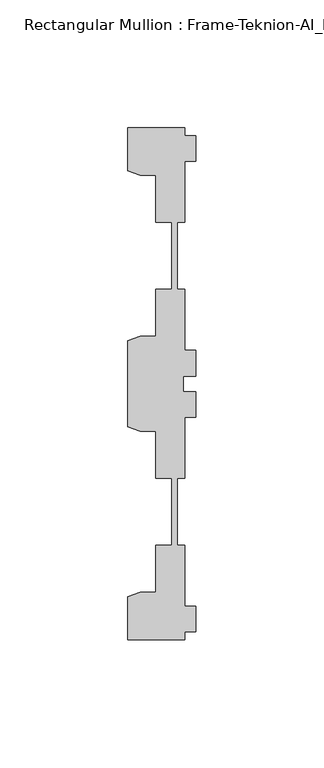
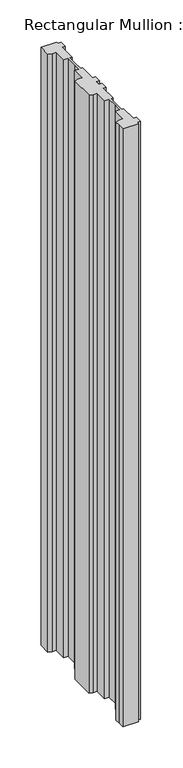
"""IFC4 building model written with IfcOpenShell, lengths in millimetres: member geometry, Rectangular Mullion : Frame-Teknion-AI_Healthcare-Ceiling_Double_Channel."""

from ifc_helpers import new_model, si_unit, frame, origin, place, context, project, spatial, polyline, outline, extrude, source, transform, mapped, element, save


def rectangular_mullion_frame_teknion_ai_healthcare_ceiling_6fad43c2(model_context):
    return source(origin(), model_context, "Body", "SweptSolid", [
        extrude(outline(polyline([(-4.2672007, 100.0110586), (-4.2672007, 96.9534451), (0.0, 96.9534451), (0.0, 86.9534377), (-4.2672007, 86.9534377), (-4.2672007, 63.0824429), (-7.1647766, 63.0824429), (-7.1647766, 48.9859882), (-7.1647766, 36.9204406), (-4.2672007, 36.9204406), (-4.2672007, 13.0494413), (0.0, 13.0494413), (0.0, 3.0494419), (-4.7752002, 3.0494419), (-4.7752002, 0.0), (-4.7752002, -3.0494419), (0.0, -3.0494419), (0.0, -13.0494413), (-4.2672007, -13.0494413), (-4.2672007, -36.9204406), (-7.1647766, -36.9204406), (-7.1647766, -50.7500324), (-7.1647766, -63.0824429), (-4.2672007, -63.0824429), (-4.2672007, -86.9534377), (0.0, -86.9534377), (0.0, -96.9534451), (-4.2672007, -96.9534451), (-4.2672007, -100.0014421), (-26.4921999, -100.0014421), (-26.4921999, -90.2224424), (-26.4921999, -83.1915336), (-21.6625199, -81.4594689), (-15.6737764, -81.4594689), (-15.6737764, -63.0824429), (-9.4507761, -63.0824429), (-9.4507761, -50.8315128), (-9.4507761, -36.9204406), (-15.6737764, -36.9204406), (-15.6737764, -18.5434146), (-21.6625199, -18.5434146), (-26.4921999, -16.8113452), (-26.4921999, 16.8113452), (-21.6357055, 18.5530311), (-15.6737764, 18.5530311), (-15.6737764, 36.9300571), (-9.4507761, 36.9300571), (-9.4507761, 47.8659877), (-9.4507761, 63.0920594), (-15.6737764, 63.0920594), (-15.6737764, 81.4690854), (-21.6625199, 81.4690854), (-26.4921999, 83.20115), (-26.4921999, 100.0110586), (-4.2672007, 100.0110586)])), frame((0.0, 0.0, -889.0), z_axis=(0.0, 0.0, 1.0), x_axis=(1.0, 0.0, 0.0)), (0.0, 0.0, 1.0), 889.0),
    ])


if __name__ == "__main__":
    model = new_model("IFC4")
    model_context = context("Model", 3, world=origin())
    ifc_project = project(units=[si_unit("LENGTHUNIT", "METRE", prefix="MILLI")], contexts=[model_context])
    site = spatial("IfcSite", under=ifc_project)
    building = spatial("IfcBuilding", under=site)
    placement = place(None, origin())
    rectangular_mullion_frame_teknion_ai_healthcare_ceiling_shape = rectangular_mullion_frame_teknion_ai_healthcare_ceiling_6fad43c2(model_context)
    element("IfcMember", 1, ObjectType="Rectangular Mullion : Frame-Teknion-AI_Healthcare-Ceiling_Double_Channel", at=placement, inside=building, context=model_context, shape_type="MappedRepresentation", body=[
        mapped(rectangular_mullion_frame_teknion_ai_healthcare_ceiling_shape, transform((0.0, 0.0, 0.0), x_axis=(1.0, 0.0, 0.0), y_axis=(0.0, 1.0, 0.0), z_axis=(0.0, 0.0, 1.0))),
    ])
    save(model, "model.ifc")
